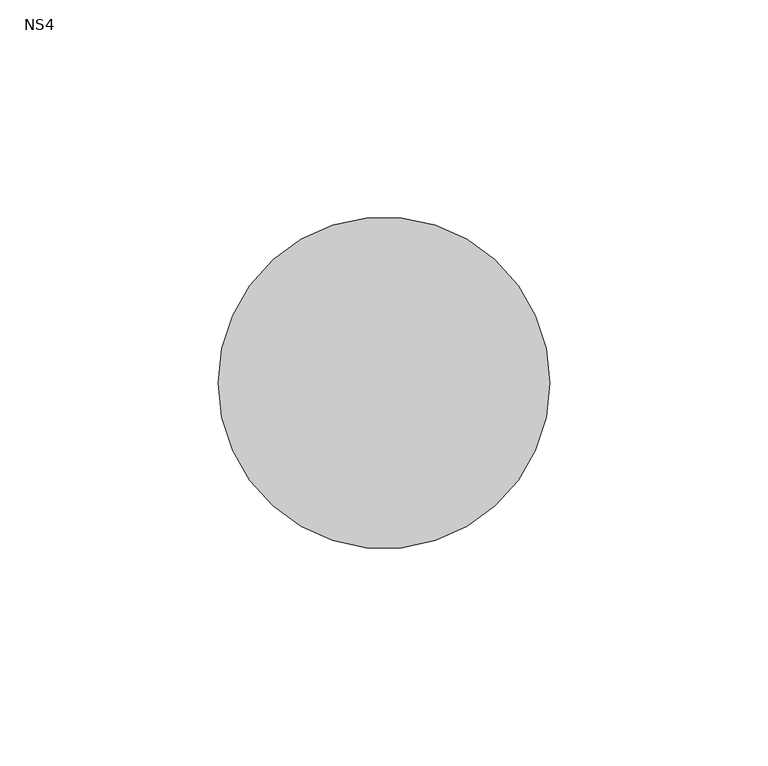
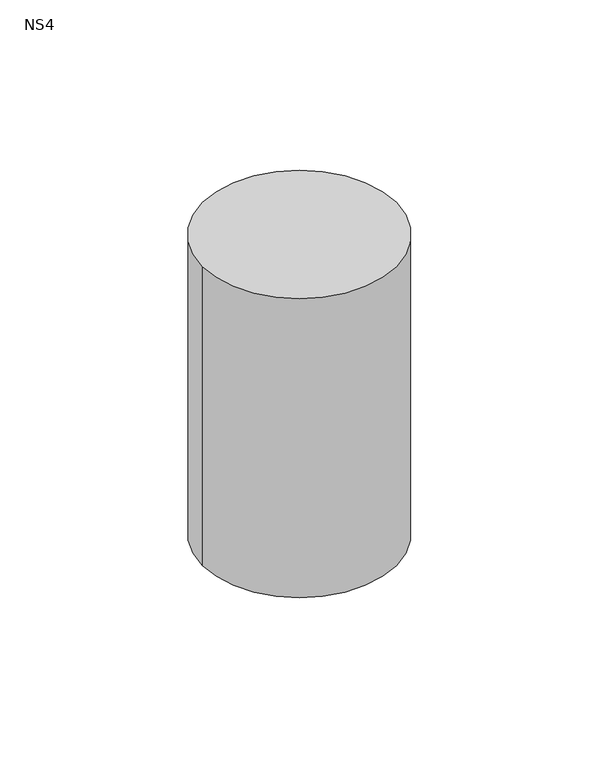
"""IFC4 building model written with IfcOpenShell, lengths in millimetres: unitary equipment geometry, NS4."""

from ifc_helpers import new_model, si_unit, point, frame, frame_2d, origin, place, context, project, spatial, circle_curve, trimmed, segment, composite_curve, outline, extrude, source, transform, mapped, element, save


def ns4_fcfb2e82(model_context):
    return source(origin(), model_context, "Body", "SweptSolid", [
        extrude(outline(composite_curve([segment(trimmed(circle_curve(frame_2d((200.0, 346.41)), 38.0), [point((162.0, 346.41))], [point((238.0, 346.41))], False, "CARTESIAN"), True, "CONTINUOUS"), segment(trimmed(circle_curve(frame_2d((200.0, 346.41)), 38.0), [point((238.0, 346.41))], [point((162.0, 346.41))], False, "CARTESIAN"), True, "CONTINUOUS")], self_intersect=False)), frame((0.0, 0.0, 1402.5), z_axis=(0.0, 0.0, 1.0), x_axis=(1.0, 0.0, 0.0)), (0.0, 0.0, 1.0), 124.0),
    ])


if __name__ == "__main__":
    model = new_model("IFC4")
    model_context = context("Model", 3, world=origin())
    ifc_project = project(units=[si_unit("LENGTHUNIT", "METRE", prefix="MILLI")], contexts=[model_context])
    site = spatial("IfcSite", under=ifc_project)
    building = spatial("IfcBuilding", under=site)
    placement = place(None, origin())
    ns4_shape = ns4_fcfb2e82(model_context)
    element("IfcUnitaryEquipment", 1, ObjectType="NS4", at=placement, inside=building, context=model_context, shape_type="MappedRepresentation", body=[
        mapped(ns4_shape, transform((0.0, 0.0, 0.0), x_axis=(1.0, 0.0, 0.0), y_axis=(0.0, 1.0, 0.0), z_axis=(0.0, 0.0, 1.0))),
    ])
    save(model, "model.ifc")
